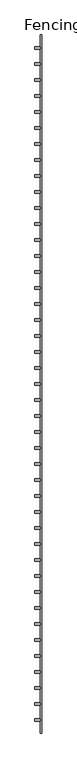
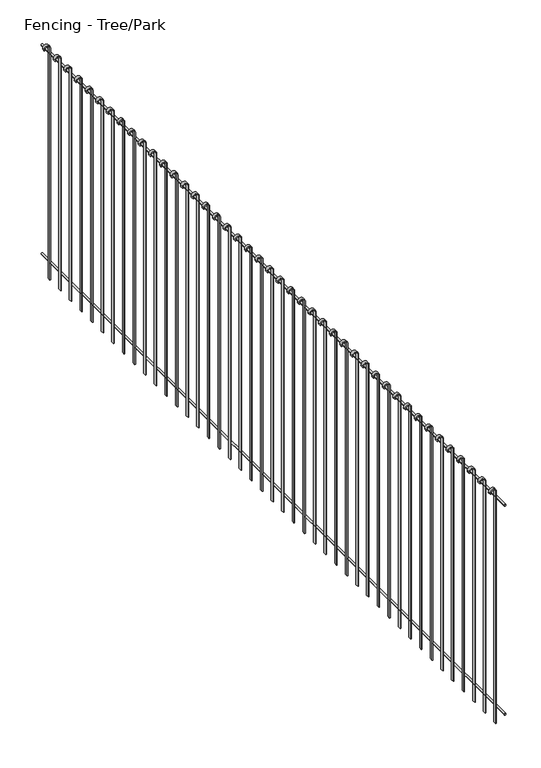
"""IFC4 building model written with IfcOpenShell, lengths in millimetres: railing geometry, Fencing - Tree/Park."""

from ifc_helpers import new_model, si_unit, point, frame, frame_2d, origin, place, context, project, spatial, polyline, circle_curve, trimmed, segment, composite_curve, outline, extrude, source, transform, mapped, element, save


def fencing_tree_park_7738c587(model_context):
    return source(origin(), model_context, "Body", "SweptSolid", [
        extrude(outline(composite_curve([segment(trimmed(circle_curve(frame_2d((1892.5, 5260.9077408)), 7.5), [point((1892.5, 5253.4077408))], [point((1892.5, 5268.4077408))], False, "CARTESIAN"), True, "CONTINUOUS"), segment(trimmed(circle_curve(frame_2d((1892.5, 5260.9077408)), 7.5), [point((1892.5, 5268.4077408))], [point((1892.5, 5253.4077408))], False, "CARTESIAN"), True, "CONTINUOUS")], self_intersect=False)), frame((0.0, -3853.7259668, 0.0), z_axis=(0.0, 1.0, 0.0), x_axis=(0.0, 0.0, 1.0)), (0.0, 0.0, 1.0), 6542.5),
        extrude(outline(composite_curve([segment(trimmed(circle_curve(frame_2d((92.5, 5260.9077408)), 7.5), [point((92.5, 5253.4077408))], [point((92.5, 5268.4077408))], False, "CARTESIAN"), True, "CONTINUOUS"), segment(trimmed(circle_curve(frame_2d((92.5, 5260.9077408)), 7.5), [point((92.5, 5268.4077408))], [point((92.5, 5253.4077408))], False, "CARTESIAN"), True, "CONTINUOUS")], self_intersect=False)), frame((0.0, -3853.7259668, 0.0), z_axis=(0.0, 1.0, 0.0), x_axis=(0.0, 0.0, 1.0)), (0.0, 0.0, 1.0), 6542.5),
        extrude(outline(composite_curve([segment(trimmed(circle_curve(frame_2d((1950.0, 5228.4077408)), 25.0), [point((1950.0, 5253.4077408))], [point((1950.0, 5203.4077408))], False, "CARTESIAN"), True, "CONTINUOUS"), segment(polyline([(1950.0, 5203.4077408), (1940.0, 5203.4077408), (1940.0, 5208.4077408), (1950.0, 5208.4077408)]), True, "CONTINUOUS"), segment(trimmed(circle_curve(frame_2d((1950.0, 5228.4077408)), 20.0), [point((1950.0, 5208.4077408))], [point((1950.0, 5248.4077408))], True, "CARTESIAN"), True, "CONTINUOUS"), segment(polyline([(1950.0, 5248.4077408), (-50.0, 5248.4077408), (-50.0, 5253.4077408), (1950.0, 5253.4077408)]), True, "CONTINUOUS")], self_intersect=False)), frame((0.0, 2555.0240332, 0.0), z_axis=(0.0, 1.0, 0.0), x_axis=(0.0, 0.0, 1.0)), (0.0, 0.0, 1.0), 25.0),
        extrude(outline(composite_curve([segment(trimmed(circle_curve(frame_2d((1950.0, 5228.4077408)), 25.0), [point((1950.0, 5253.4077408))], [point((1950.0, 5203.4077408))], False, "CARTESIAN"), True, "CONTINUOUS"), segment(polyline([(1950.0, 5203.4077408), (1940.0, 5203.4077408), (1940.0, 5208.4077408), (1950.0, 5208.4077408)]), True, "CONTINUOUS"), segment(trimmed(circle_curve(frame_2d((1950.0, 5228.4077408)), 20.0), [point((1950.0, 5208.4077408))], [point((1950.0, 5248.4077408))], True, "CARTESIAN"), True, "CONTINUOUS"), segment(polyline([(1950.0, 5248.4077408), (-50.0, 5248.4077408), (-50.0, 5253.4077408), (1950.0, 5253.4077408)]), True, "CONTINUOUS")], self_intersect=False)), frame((0.0, 2405.0240332, 0.0), z_axis=(0.0, 1.0, 0.0), x_axis=(0.0, 0.0, 1.0)), (0.0, 0.0, 1.0), 25.0),
        extrude(outline(composite_curve([segment(trimmed(circle_curve(frame_2d((1950.0, 5228.4077408)), 25.0), [point((1950.0, 5253.4077408))], [point((1950.0, 5203.4077408))], False, "CARTESIAN"), True, "CONTINUOUS"), segment(polyline([(1950.0, 5203.4077408), (1940.0, 5203.4077408), (1940.0, 5208.4077408), (1950.0, 5208.4077408)]), True, "CONTINUOUS"), segment(trimmed(circle_curve(frame_2d((1950.0, 5228.4077408)), 20.0), [point((1950.0, 5208.4077408))], [point((1950.0, 5248.4077408))], True, "CARTESIAN"), True, "CONTINUOUS"), segment(polyline([(1950.0, 5248.4077408), (-50.0, 5248.4077408), (-50.0, 5253.4077408), (1950.0, 5253.4077408)]), True, "CONTINUOUS")], self_intersect=False)), frame((0.0, 2255.0240332, 0.0), z_axis=(0.0, 1.0, 0.0), x_axis=(0.0, 0.0, 1.0)), (0.0, 0.0, 1.0), 25.0),
        extrude(outline(composite_curve([segment(trimmed(circle_curve(frame_2d((1950.0, 5228.4077408)), 25.0), [point((1950.0, 5253.4077408))], [point((1950.0, 5203.4077408))], False, "CARTESIAN"), True, "CONTINUOUS"), segment(polyline([(1950.0, 5203.4077408), (1940.0, 5203.4077408), (1940.0, 5208.4077408), (1950.0, 5208.4077408)]), True, "CONTINUOUS"), segment(trimmed(circle_curve(frame_2d((1950.0, 5228.4077408)), 20.0), [point((1950.0, 5208.4077408))], [point((1950.0, 5248.4077408))], True, "CARTESIAN"), True, "CONTINUOUS"), segment(polyline([(1950.0, 5248.4077408), (-50.0, 5248.4077408), (-50.0, 5253.4077408), (1950.0, 5253.4077408)]), True, "CONTINUOUS")], self_intersect=False)), frame((0.0, 2105.0240332, 0.0), z_axis=(0.0, 1.0, 0.0), x_axis=(0.0, 0.0, 1.0)), (0.0, 0.0, 1.0), 25.0),
        extrude(outline(composite_curve([segment(trimmed(circle_curve(frame_2d((1950.0, 5228.4077408)), 25.0), [point((1950.0, 5253.4077408))], [point((1950.0, 5203.4077408))], False, "CARTESIAN"), True, "CONTINUOUS"), segment(polyline([(1950.0, 5203.4077408), (1940.0, 5203.4077408), (1940.0, 5208.4077408), (1950.0, 5208.4077408)]), True, "CONTINUOUS"), segment(trimmed(circle_curve(frame_2d((1950.0, 5228.4077408)), 20.0), [point((1950.0, 5208.4077408))], [point((1950.0, 5248.4077408))], True, "CARTESIAN"), True, "CONTINUOUS"), segment(polyline([(1950.0, 5248.4077408), (-50.0, 5248.4077408), (-50.0, 5253.4077408), (1950.0, 5253.4077408)]), True, "CONTINUOUS")], self_intersect=False)), frame((0.0, 1955.0240332, 0.0), z_axis=(0.0, 1.0, 0.0), x_axis=(0.0, 0.0, 1.0)), (0.0, 0.0, 1.0), 25.0),
        extrude(outline(composite_curve([segment(trimmed(circle_curve(frame_2d((1950.0, 5228.4077408)), 25.0), [point((1950.0, 5253.4077408))], [point((1950.0, 5203.4077408))], False, "CARTESIAN"), True, "CONTINUOUS"), segment(polyline([(1950.0, 5203.4077408), (1940.0, 5203.4077408), (1940.0, 5208.4077408), (1950.0, 5208.4077408)]), True, "CONTINUOUS"), segment(trimmed(circle_curve(frame_2d((1950.0, 5228.4077408)), 20.0), [point((1950.0, 5208.4077408))], [point((1950.0, 5248.4077408))], True, "CARTESIAN"), True, "CONTINUOUS"), segment(polyline([(1950.0, 5248.4077408), (-50.0, 5248.4077408), (-50.0, 5253.4077408), (1950.0, 5253.4077408)]), True, "CONTINUOUS")], self_intersect=False)), frame((0.0, 1805.0240332, 0.0), z_axis=(0.0, 1.0, 0.0), x_axis=(0.0, 0.0, 1.0)), (0.0, 0.0, 1.0), 25.0),
        extrude(outline(composite_curve([segment(trimmed(circle_curve(frame_2d((1950.0, 5228.4077408)), 25.0), [point((1950.0, 5253.4077408))], [point((1950.0, 5203.4077408))], False, "CARTESIAN"), True, "CONTINUOUS"), segment(polyline([(1950.0, 5203.4077408), (1940.0, 5203.4077408), (1940.0, 5208.4077408), (1950.0, 5208.4077408)]), True, "CONTINUOUS"), segment(trimmed(circle_curve(frame_2d((1950.0, 5228.4077408)), 20.0), [point((1950.0, 5208.4077408))], [point((1950.0, 5248.4077408))], True, "CARTESIAN"), True, "CONTINUOUS"), segment(polyline([(1950.0, 5248.4077408), (-50.0, 5248.4077408), (-50.0, 5253.4077408), (1950.0, 5253.4077408)]), True, "CONTINUOUS")], self_intersect=False)), frame((0.0, 1655.0240332, 0.0), z_axis=(0.0, 1.0, 0.0), x_axis=(0.0, 0.0, 1.0)), (0.0, 0.0, 1.0), 25.0),
        extrude(outline(composite_curve([segment(trimmed(circle_curve(frame_2d((1950.0, 5228.4077408)), 25.0), [point((1950.0, 5253.4077408))], [point((1950.0, 5203.4077408))], False, "CARTESIAN"), True, "CONTINUOUS"), segment(polyline([(1950.0, 5203.4077408), (1940.0, 5203.4077408), (1940.0, 5208.4077408), (1950.0, 5208.4077408)]), True, "CONTINUOUS"), segment(trimmed(circle_curve(frame_2d((1950.0, 5228.4077408)), 20.0), [point((1950.0, 5208.4077408))], [point((1950.0, 5248.4077408))], True, "CARTESIAN"), True, "CONTINUOUS"), segment(polyline([(1950.0, 5248.4077408), (-50.0, 5248.4077408), (-50.0, 5253.4077408), (1950.0, 5253.4077408)]), True, "CONTINUOUS")], self_intersect=False)), frame((0.0, 1505.0240332, 0.0), z_axis=(0.0, 1.0, 0.0), x_axis=(0.0, 0.0, 1.0)), (0.0, 0.0, 1.0), 25.0),
        extrude(outline(composite_curve([segment(trimmed(circle_curve(frame_2d((1950.0, 5228.4077408)), 25.0), [point((1950.0, 5253.4077408))], [point((1950.0, 5203.4077408))], False, "CARTESIAN"), True, "CONTINUOUS"), segment(polyline([(1950.0, 5203.4077408), (1940.0, 5203.4077408), (1940.0, 5208.4077408), (1950.0, 5208.4077408)]), True, "CONTINUOUS"), segment(trimmed(circle_curve(frame_2d((1950.0, 5228.4077408)), 20.0), [point((1950.0, 5208.4077408))], [point((1950.0, 5248.4077408))], True, "CARTESIAN"), True, "CONTINUOUS"), segment(polyline([(1950.0, 5248.4077408), (-50.0, 5248.4077408), (-50.0, 5253.4077408), (1950.0, 5253.4077408)]), True, "CONTINUOUS")], self_intersect=False)), frame((0.0, 1355.0240332, 0.0), z_axis=(0.0, 1.0, 0.0), x_axis=(0.0, 0.0, 1.0)), (0.0, 0.0, 1.0), 25.0),
        extrude(outline(composite_curve([segment(trimmed(circle_curve(frame_2d((1950.0, 5228.4077408)), 25.0), [point((1950.0, 5253.4077408))], [point((1950.0, 5203.4077408))], False, "CARTESIAN"), True, "CONTINUOUS"), segment(polyline([(1950.0, 5203.4077408), (1940.0, 5203.4077408), (1940.0, 5208.4077408), (1950.0, 5208.4077408)]), True, "CONTINUOUS"), segment(trimmed(circle_curve(frame_2d((1950.0, 5228.4077408)), 20.0), [point((1950.0, 5208.4077408))], [point((1950.0, 5248.4077408))], True, "CARTESIAN"), True, "CONTINUOUS"), segment(polyline([(1950.0, 5248.4077408), (-50.0, 5248.4077408), (-50.0, 5253.4077408), (1950.0, 5253.4077408)]), True, "CONTINUOUS")], self_intersect=False)), frame((0.0, 1205.0240332, 0.0), z_axis=(0.0, 1.0, 0.0), x_axis=(0.0, 0.0, 1.0)), (0.0, 0.0, 1.0), 25.0),
        extrude(outline(composite_curve([segment(trimmed(circle_curve(frame_2d((1950.0, 5228.4077408)), 25.0), [point((1950.0, 5253.4077408))], [point((1950.0, 5203.4077408))], False, "CARTESIAN"), True, "CONTINUOUS"), segment(polyline([(1950.0, 5203.4077408), (1940.0, 5203.4077408), (1940.0, 5208.4077408), (1950.0, 5208.4077408)]), True, "CONTINUOUS"), segment(trimmed(circle_curve(frame_2d((1950.0, 5228.4077408)), 20.0), [point((1950.0, 5208.4077408))], [point((1950.0, 5248.4077408))], True, "CARTESIAN"), True, "CONTINUOUS"), segment(polyline([(1950.0, 5248.4077408), (-50.0, 5248.4077408), (-50.0, 5253.4077408), (1950.0, 5253.4077408)]), True, "CONTINUOUS")], self_intersect=False)), frame((0.0, 1055.0240332, 0.0), z_axis=(0.0, 1.0, 0.0), x_axis=(0.0, 0.0, 1.0)), (0.0, 0.0, 1.0), 25.0),
        extrude(outline(composite_curve([segment(trimmed(circle_curve(frame_2d((1950.0, 5228.4077408)), 25.0), [point((1950.0, 5253.4077408))], [point((1950.0, 5203.4077408))], False, "CARTESIAN"), True, "CONTINUOUS"), segment(polyline([(1950.0, 5203.4077408), (1940.0, 5203.4077408), (1940.0, 5208.4077408), (1950.0, 5208.4077408)]), True, "CONTINUOUS"), segment(trimmed(circle_curve(frame_2d((1950.0, 5228.4077408)), 20.0), [point((1950.0, 5208.4077408))], [point((1950.0, 5248.4077408))], True, "CARTESIAN"), True, "CONTINUOUS"), segment(polyline([(1950.0, 5248.4077408), (-50.0, 5248.4077408), (-50.0, 5253.4077408), (1950.0, 5253.4077408)]), True, "CONTINUOUS")], self_intersect=False)), frame((0.0, 905.0240332, 0.0), z_axis=(0.0, 1.0, 0.0), x_axis=(0.0, 0.0, 1.0)), (0.0, 0.0, 1.0), 25.0),
        extrude(outline(composite_curve([segment(trimmed(circle_curve(frame_2d((1950.0, 5228.4077408)), 25.0), [point((1950.0, 5253.4077408))], [point((1950.0, 5203.4077408))], False, "CARTESIAN"), True, "CONTINUOUS"), segment(polyline([(1950.0, 5203.4077408), (1940.0, 5203.4077408), (1940.0, 5208.4077408), (1950.0, 5208.4077408)]), True, "CONTINUOUS"), segment(trimmed(circle_curve(frame_2d((1950.0, 5228.4077408)), 20.0), [point((1950.0, 5208.4077408))], [point((1950.0, 5248.4077408))], True, "CARTESIAN"), True, "CONTINUOUS"), segment(polyline([(1950.0, 5248.4077408), (-50.0, 5248.4077408), (-50.0, 5253.4077408), (1950.0, 5253.4077408)]), True, "CONTINUOUS")], self_intersect=False)), frame((0.0, 755.0240332, 0.0), z_axis=(0.0, 1.0, 0.0), x_axis=(0.0, 0.0, 1.0)), (0.0, 0.0, 1.0), 25.0),
        extrude(outline(composite_curve([segment(trimmed(circle_curve(frame_2d((1950.0, 5228.4077408)), 25.0), [point((1950.0, 5253.4077408))], [point((1950.0, 5203.4077408))], False, "CARTESIAN"), True, "CONTINUOUS"), segment(polyline([(1950.0, 5203.4077408), (1940.0, 5203.4077408), (1940.0, 5208.4077408), (1950.0, 5208.4077408)]), True, "CONTINUOUS"), segment(trimmed(circle_curve(frame_2d((1950.0, 5228.4077408)), 20.0), [point((1950.0, 5208.4077408))], [point((1950.0, 5248.4077408))], True, "CARTESIAN"), True, "CONTINUOUS"), segment(polyline([(1950.0, 5248.4077408), (-50.0, 5248.4077408), (-50.0, 5253.4077408), (1950.0, 5253.4077408)]), True, "CONTINUOUS")], self_intersect=False)), frame((0.0, 605.0240332, 0.0), z_axis=(0.0, 1.0, 0.0), x_axis=(0.0, 0.0, 1.0)), (0.0, 0.0, 1.0), 25.0),
        extrude(outline(composite_curve([segment(trimmed(circle_curve(frame_2d((1950.0, 5228.4077408)), 25.0), [point((1950.0, 5253.4077408))], [point((1950.0, 5203.4077408))], False, "CARTESIAN"), True, "CONTINUOUS"), segment(polyline([(1950.0, 5203.4077408), (1940.0, 5203.4077408), (1940.0, 5208.4077408), (1950.0, 5208.4077408)]), True, "CONTINUOUS"), segment(trimmed(circle_curve(frame_2d((1950.0, 5228.4077408)), 20.0), [point((1950.0, 5208.4077408))], [point((1950.0, 5248.4077408))], True, "CARTESIAN"), True, "CONTINUOUS"), segment(polyline([(1950.0, 5248.4077408), (-50.0, 5248.4077408), (-50.0, 5253.4077408), (1950.0, 5253.4077408)]), True, "CONTINUOUS")], self_intersect=False)), frame((0.0, 455.0240332, 0.0), z_axis=(0.0, 1.0, 0.0), x_axis=(0.0, 0.0, 1.0)), (0.0, 0.0, 1.0), 25.0),
        extrude(outline(composite_curve([segment(trimmed(circle_curve(frame_2d((1950.0, 5228.4077408)), 25.0), [point((1950.0, 5253.4077408))], [point((1950.0, 5203.4077408))], False, "CARTESIAN"), True, "CONTINUOUS"), segment(polyline([(1950.0, 5203.4077408), (1940.0, 5203.4077408), (1940.0, 5208.4077408), (1950.0, 5208.4077408)]), True, "CONTINUOUS"), segment(trimmed(circle_curve(frame_2d((1950.0, 5228.4077408)), 20.0), [point((1950.0, 5208.4077408))], [point((1950.0, 5248.4077408))], True, "CARTESIAN"), True, "CONTINUOUS"), segment(polyline([(1950.0, 5248.4077408), (-50.0, 5248.4077408), (-50.0, 5253.4077408), (1950.0, 5253.4077408)]), True, "CONTINUOUS")], self_intersect=False)), frame((0.0, 305.0240332, 0.0), z_axis=(0.0, 1.0, 0.0), x_axis=(0.0, 0.0, 1.0)), (0.0, 0.0, 1.0), 25.0),
        extrude(outline(composite_curve([segment(trimmed(circle_curve(frame_2d((1950.0, 5228.4077408)), 25.0), [point((1950.0, 5253.4077408))], [point((1950.0, 5203.4077408))], False, "CARTESIAN"), True, "CONTINUOUS"), segment(polyline([(1950.0, 5203.4077408), (1940.0, 5203.4077408), (1940.0, 5208.4077408), (1950.0, 5208.4077408)]), True, "CONTINUOUS"), segment(trimmed(circle_curve(frame_2d((1950.0, 5228.4077408)), 20.0), [point((1950.0, 5208.4077408))], [point((1950.0, 5248.4077408))], True, "CARTESIAN"), True, "CONTINUOUS"), segment(polyline([(1950.0, 5248.4077408), (-50.0, 5248.4077408), (-50.0, 5253.4077408), (1950.0, 5253.4077408)]), True, "CONTINUOUS")], self_intersect=False)), frame((0.0, 155.0240332, 0.0), z_axis=(0.0, 1.0, 0.0), x_axis=(0.0, 0.0, 1.0)), (0.0, 0.0, 1.0), 25.0),
        extrude(outline(composite_curve([segment(trimmed(circle_curve(frame_2d((1950.0, 5228.4077408)), 25.0), [point((1950.0, 5253.4077408))], [point((1950.0, 5203.4077408))], False, "CARTESIAN"), True, "CONTINUOUS"), segment(polyline([(1950.0, 5203.4077408), (1940.0, 5203.4077408), (1940.0, 5208.4077408), (1950.0, 5208.4077408)]), True, "CONTINUOUS"), segment(trimmed(circle_curve(frame_2d((1950.0, 5228.4077408)), 20.0), [point((1950.0, 5208.4077408))], [point((1950.0, 5248.4077408))], True, "CARTESIAN"), True, "CONTINUOUS"), segment(polyline([(1950.0, 5248.4077408), (-50.0, 5248.4077408), (-50.0, 5253.4077408), (1950.0, 5253.4077408)]), True, "CONTINUOUS")], self_intersect=False)), frame((0.0, 5.0240332, 0.0), z_axis=(0.0, 1.0, 0.0), x_axis=(0.0, 0.0, 1.0)), (0.0, 0.0, 1.0), 25.0),
        extrude(outline(composite_curve([segment(trimmed(circle_curve(frame_2d((1950.0, 5228.4077408)), 25.0), [point((1950.0, 5253.4077408))], [point((1950.0, 5203.4077408))], False, "CARTESIAN"), True, "CONTINUOUS"), segment(polyline([(1950.0, 5203.4077408), (1940.0, 5203.4077408), (1940.0, 5208.4077408), (1950.0, 5208.4077408)]), True, "CONTINUOUS"), segment(trimmed(circle_curve(frame_2d((1950.0, 5228.4077408)), 20.0), [point((1950.0, 5208.4077408))], [point((1950.0, 5248.4077408))], True, "CARTESIAN"), True, "CONTINUOUS"), segment(polyline([(1950.0, 5248.4077408), (-50.0, 5248.4077408), (-50.0, 5253.4077408), (1950.0, 5253.4077408)]), True, "CONTINUOUS")], self_intersect=False)), frame((0.0, -144.9759668, 0.0), z_axis=(0.0, 1.0, 0.0), x_axis=(0.0, 0.0, 1.0)), (0.0, 0.0, 1.0), 25.0),
        extrude(outline(composite_curve([segment(trimmed(circle_curve(frame_2d((1950.0, 5228.4077408)), 25.0), [point((1950.0, 5253.4077408))], [point((1950.0, 5203.4077408))], False, "CARTESIAN"), True, "CONTINUOUS"), segment(polyline([(1950.0, 5203.4077408), (1940.0, 5203.4077408), (1940.0, 5208.4077408), (1950.0, 5208.4077408)]), True, "CONTINUOUS"), segment(trimmed(circle_curve(frame_2d((1950.0, 5228.4077408)), 20.0), [point((1950.0, 5208.4077408))], [point((1950.0, 5248.4077408))], True, "CARTESIAN"), True, "CONTINUOUS"), segment(polyline([(1950.0, 5248.4077408), (-50.0, 5248.4077408), (-50.0, 5253.4077408), (1950.0, 5253.4077408)]), True, "CONTINUOUS")], self_intersect=False)), frame((0.0, -294.9759668, 0.0), z_axis=(0.0, 1.0, 0.0), x_axis=(0.0, 0.0, 1.0)), (0.0, 0.0, 1.0), 25.0),
        extrude(outline(composite_curve([segment(trimmed(circle_curve(frame_2d((1950.0, 5228.4077408)), 25.0), [point((1950.0, 5253.4077408))], [point((1950.0, 5203.4077408))], False, "CARTESIAN"), True, "CONTINUOUS"), segment(polyline([(1950.0, 5203.4077408), (1940.0, 5203.4077408), (1940.0, 5208.4077408), (1950.0, 5208.4077408)]), True, "CONTINUOUS"), segment(trimmed(circle_curve(frame_2d((1950.0, 5228.4077408)), 20.0), [point((1950.0, 5208.4077408))], [point((1950.0, 5248.4077408))], True, "CARTESIAN"), True, "CONTINUOUS"), segment(polyline([(1950.0, 5248.4077408), (-50.0, 5248.4077408), (-50.0, 5253.4077408), (1950.0, 5253.4077408)]), True, "CONTINUOUS")], self_intersect=False)), frame((0.0, -444.9759668, 0.0), z_axis=(0.0, 1.0, 0.0), x_axis=(0.0, 0.0, 1.0)), (0.0, 0.0, 1.0), 25.0),
        extrude(outline(composite_curve([segment(trimmed(circle_curve(frame_2d((1950.0, 5228.4077408)), 25.0), [point((1950.0, 5253.4077408))], [point((1950.0, 5203.4077408))], False, "CARTESIAN"), True, "CONTINUOUS"), segment(polyline([(1950.0, 5203.4077408), (1940.0, 5203.4077408), (1940.0, 5208.4077408), (1950.0, 5208.4077408)]), True, "CONTINUOUS"), segment(trimmed(circle_curve(frame_2d((1950.0, 5228.4077408)), 20.0), [point((1950.0, 5208.4077408))], [point((1950.0, 5248.4077408))], True, "CARTESIAN"), True, "CONTINUOUS"), segment(polyline([(1950.0, 5248.4077408), (-50.0, 5248.4077408), (-50.0, 5253.4077408), (1950.0, 5253.4077408)]), True, "CONTINUOUS")], self_intersect=False)), frame((0.0, -594.9759668, 0.0), z_axis=(0.0, 1.0, 0.0), x_axis=(0.0, 0.0, 1.0)), (0.0, 0.0, 1.0), 25.0),
        extrude(outline(composite_curve([segment(trimmed(circle_curve(frame_2d((1950.0, 5228.4077408)), 25.0), [point((1950.0, 5253.4077408))], [point((1950.0, 5203.4077408))], False, "CARTESIAN"), True, "CONTINUOUS"), segment(polyline([(1950.0, 5203.4077408), (1940.0, 5203.4077408), (1940.0, 5208.4077408), (1950.0, 5208.4077408)]), True, "CONTINUOUS"), segment(trimmed(circle_curve(frame_2d((1950.0, 5228.4077408)), 20.0), [point((1950.0, 5208.4077408))], [point((1950.0, 5248.4077408))], True, "CARTESIAN"), True, "CONTINUOUS"), segment(polyline([(1950.0, 5248.4077408), (-50.0, 5248.4077408), (-50.0, 5253.4077408), (1950.0, 5253.4077408)]), True, "CONTINUOUS")], self_intersect=False)), frame((0.0, -744.9759668, 0.0), z_axis=(0.0, 1.0, 0.0), x_axis=(0.0, 0.0, 1.0)), (0.0, 0.0, 1.0), 25.0),
        extrude(outline(composite_curve([segment(trimmed(circle_curve(frame_2d((1950.0, 5228.4077408)), 25.0), [point((1950.0, 5253.4077408))], [point((1950.0, 5203.4077408))], False, "CARTESIAN"), True, "CONTINUOUS"), segment(polyline([(1950.0, 5203.4077408), (1940.0, 5203.4077408), (1940.0, 5208.4077408), (1950.0, 5208.4077408)]), True, "CONTINUOUS"), segment(trimmed(circle_curve(frame_2d((1950.0, 5228.4077408)), 20.0), [point((1950.0, 5208.4077408))], [point((1950.0, 5248.4077408))], True, "CARTESIAN"), True, "CONTINUOUS"), segment(polyline([(1950.0, 5248.4077408), (-50.0, 5248.4077408), (-50.0, 5253.4077408), (1950.0, 5253.4077408)]), True, "CONTINUOUS")], self_intersect=False)), frame((0.0, -894.9759668, 0.0), z_axis=(0.0, 1.0, 0.0), x_axis=(0.0, 0.0, 1.0)), (0.0, 0.0, 1.0), 25.0),
        extrude(outline(composite_curve([segment(trimmed(circle_curve(frame_2d((1950.0, 5228.4077408)), 25.0), [point((1950.0, 5253.4077408))], [point((1950.0, 5203.4077408))], False, "CARTESIAN"), True, "CONTINUOUS"), segment(polyline([(1950.0, 5203.4077408), (1940.0, 5203.4077408), (1940.0, 5208.4077408), (1950.0, 5208.4077408)]), True, "CONTINUOUS"), segment(trimmed(circle_curve(frame_2d((1950.0, 5228.4077408)), 20.0), [point((1950.0, 5208.4077408))], [point((1950.0, 5248.4077408))], True, "CARTESIAN"), True, "CONTINUOUS"), segment(polyline([(1950.0, 5248.4077408), (-50.0, 5248.4077408), (-50.0, 5253.4077408), (1950.0, 5253.4077408)]), True, "CONTINUOUS")], self_intersect=False)), frame((0.0, -1044.9759668, 0.0), z_axis=(0.0, 1.0, 0.0), x_axis=(0.0, 0.0, 1.0)), (0.0, 0.0, 1.0), 25.0),
        extrude(outline(composite_curve([segment(trimmed(circle_curve(frame_2d((1950.0, 5228.4077408)), 25.0), [point((1950.0, 5253.4077408))], [point((1950.0, 5203.4077408))], False, "CARTESIAN"), True, "CONTINUOUS"), segment(polyline([(1950.0, 5203.4077408), (1940.0, 5203.4077408), (1940.0, 5208.4077408), (1950.0, 5208.4077408)]), True, "CONTINUOUS"), segment(trimmed(circle_curve(frame_2d((1950.0, 5228.4077408)), 20.0), [point((1950.0, 5208.4077408))], [point((1950.0, 5248.4077408))], True, "CARTESIAN"), True, "CONTINUOUS"), segment(polyline([(1950.0, 5248.4077408), (-50.0, 5248.4077408), (-50.0, 5253.4077408), (1950.0, 5253.4077408)]), True, "CONTINUOUS")], self_intersect=False)), frame((0.0, -1194.9759668, 0.0), z_axis=(0.0, 1.0, 0.0), x_axis=(0.0, 0.0, 1.0)), (0.0, 0.0, 1.0), 25.0),
        extrude(outline(composite_curve([segment(trimmed(circle_curve(frame_2d((1950.0, 5228.4077408)), 25.0), [point((1950.0, 5253.4077408))], [point((1950.0, 5203.4077408))], False, "CARTESIAN"), True, "CONTINUOUS"), segment(polyline([(1950.0, 5203.4077408), (1940.0, 5203.4077408), (1940.0, 5208.4077408), (1950.0, 5208.4077408)]), True, "CONTINUOUS"), segment(trimmed(circle_curve(frame_2d((1950.0, 5228.4077408)), 20.0), [point((1950.0, 5208.4077408))], [point((1950.0, 5248.4077408))], True, "CARTESIAN"), True, "CONTINUOUS"), segment(polyline([(1950.0, 5248.4077408), (-50.0, 5248.4077408), (-50.0, 5253.4077408), (1950.0, 5253.4077408)]), True, "CONTINUOUS")], self_intersect=False)), frame((0.0, -1344.9759668, 0.0), z_axis=(0.0, 1.0, 0.0), x_axis=(0.0, 0.0, 1.0)), (0.0, 0.0, 1.0), 25.0),
        extrude(outline(composite_curve([segment(trimmed(circle_curve(frame_2d((1950.0, 5228.4077408)), 25.0), [point((1950.0, 5253.4077408))], [point((1950.0, 5203.4077408))], False, "CARTESIAN"), True, "CONTINUOUS"), segment(polyline([(1950.0, 5203.4077408), (1940.0, 5203.4077408), (1940.0, 5208.4077408), (1950.0, 5208.4077408)]), True, "CONTINUOUS"), segment(trimmed(circle_curve(frame_2d((1950.0, 5228.4077408)), 20.0), [point((1950.0, 5208.4077408))], [point((1950.0, 5248.4077408))], True, "CARTESIAN"), True, "CONTINUOUS"), segment(polyline([(1950.0, 5248.4077408), (-50.0, 5248.4077408), (-50.0, 5253.4077408), (1950.0, 5253.4077408)]), True, "CONTINUOUS")], self_intersect=False)), frame((0.0, -1494.9759668, 0.0), z_axis=(0.0, 1.0, 0.0), x_axis=(0.0, 0.0, 1.0)), (0.0, 0.0, 1.0), 25.0),
        extrude(outline(composite_curve([segment(trimmed(circle_curve(frame_2d((1950.0, 5228.4077408)), 25.0), [point((1950.0, 5253.4077408))], [point((1950.0, 5203.4077408))], False, "CARTESIAN"), True, "CONTINUOUS"), segment(polyline([(1950.0, 5203.4077408), (1940.0, 5203.4077408), (1940.0, 5208.4077408), (1950.0, 5208.4077408)]), True, "CONTINUOUS"), segment(trimmed(circle_curve(frame_2d((1950.0, 5228.4077408)), 20.0), [point((1950.0, 5208.4077408))], [point((1950.0, 5248.4077408))], True, "CARTESIAN"), True, "CONTINUOUS"), segment(polyline([(1950.0, 5248.4077408), (-50.0, 5248.4077408), (-50.0, 5253.4077408), (1950.0, 5253.4077408)]), True, "CONTINUOUS")], self_intersect=False)), frame((0.0, -1644.9759668, 0.0), z_axis=(0.0, 1.0, 0.0), x_axis=(0.0, 0.0, 1.0)), (0.0, 0.0, 1.0), 25.0),
        extrude(outline(composite_curve([segment(trimmed(circle_curve(frame_2d((1950.0, 5228.4077408)), 25.0), [point((1950.0, 5253.4077408))], [point((1950.0, 5203.4077408))], False, "CARTESIAN"), True, "CONTINUOUS"), segment(polyline([(1950.0, 5203.4077408), (1940.0, 5203.4077408), (1940.0, 5208.4077408), (1950.0, 5208.4077408)]), True, "CONTINUOUS"), segment(trimmed(circle_curve(frame_2d((1950.0, 5228.4077408)), 20.0), [point((1950.0, 5208.4077408))], [point((1950.0, 5248.4077408))], True, "CARTESIAN"), True, "CONTINUOUS"), segment(polyline([(1950.0, 5248.4077408), (-50.0, 5248.4077408), (-50.0, 5253.4077408), (1950.0, 5253.4077408)]), True, "CONTINUOUS")], self_intersect=False)), frame((0.0, -1794.9759668, 0.0), z_axis=(0.0, 1.0, 0.0), x_axis=(0.0, 0.0, 1.0)), (0.0, 0.0, 1.0), 25.0),
        extrude(outline(composite_curve([segment(trimmed(circle_curve(frame_2d((1950.0, 5228.4077408)), 25.0), [point((1950.0, 5253.4077408))], [point((1950.0, 5203.4077408))], False, "CARTESIAN"), True, "CONTINUOUS"), segment(polyline([(1950.0, 5203.4077408), (1940.0, 5203.4077408), (1940.0, 5208.4077408), (1950.0, 5208.4077408)]), True, "CONTINUOUS"), segment(trimmed(circle_curve(frame_2d((1950.0, 5228.4077408)), 20.0), [point((1950.0, 5208.4077408))], [point((1950.0, 5248.4077408))], True, "CARTESIAN"), True, "CONTINUOUS"), segment(polyline([(1950.0, 5248.4077408), (-50.0, 5248.4077408), (-50.0, 5253.4077408), (1950.0, 5253.4077408)]), True, "CONTINUOUS")], self_intersect=False)), frame((0.0, -1944.9759668, 0.0), z_axis=(0.0, 1.0, 0.0), x_axis=(0.0, 0.0, 1.0)), (0.0, 0.0, 1.0), 25.0),
        extrude(outline(composite_curve([segment(trimmed(circle_curve(frame_2d((1950.0, 5228.4077408)), 25.0), [point((1950.0, 5253.4077408))], [point((1950.0, 5203.4077408))], False, "CARTESIAN"), True, "CONTINUOUS"), segment(polyline([(1950.0, 5203.4077408), (1940.0, 5203.4077408), (1940.0, 5208.4077408), (1950.0, 5208.4077408)]), True, "CONTINUOUS"), segment(trimmed(circle_curve(frame_2d((1950.0, 5228.4077408)), 20.0), [point((1950.0, 5208.4077408))], [point((1950.0, 5248.4077408))], True, "CARTESIAN"), True, "CONTINUOUS"), segment(polyline([(1950.0, 5248.4077408), (-50.0, 5248.4077408), (-50.0, 5253.4077408), (1950.0, 5253.4077408)]), True, "CONTINUOUS")], self_intersect=False)), frame((0.0, -2094.9759668, 0.0), z_axis=(0.0, 1.0, 0.0), x_axis=(0.0, 0.0, 1.0)), (0.0, 0.0, 1.0), 25.0),
        extrude(outline(composite_curve([segment(trimmed(circle_curve(frame_2d((1950.0, 5228.4077408)), 25.0), [point((1950.0, 5253.4077408))], [point((1950.0, 5203.4077408))], False, "CARTESIAN"), True, "CONTINUOUS"), segment(polyline([(1950.0, 5203.4077408), (1940.0, 5203.4077408), (1940.0, 5208.4077408), (1950.0, 5208.4077408)]), True, "CONTINUOUS"), segment(trimmed(circle_curve(frame_2d((1950.0, 5228.4077408)), 20.0), [point((1950.0, 5208.4077408))], [point((1950.0, 5248.4077408))], True, "CARTESIAN"), True, "CONTINUOUS"), segment(polyline([(1950.0, 5248.4077408), (-50.0, 5248.4077408), (-50.0, 5253.4077408), (1950.0, 5253.4077408)]), True, "CONTINUOUS")], self_intersect=False)), frame((0.0, -2244.9759668, 0.0), z_axis=(0.0, 1.0, 0.0), x_axis=(0.0, 0.0, 1.0)), (0.0, 0.0, 1.0), 25.0),
        extrude(outline(composite_curve([segment(trimmed(circle_curve(frame_2d((1950.0, 5228.4077408)), 25.0), [point((1950.0, 5253.4077408))], [point((1950.0, 5203.4077408))], False, "CARTESIAN"), True, "CONTINUOUS"), segment(polyline([(1950.0, 5203.4077408), (1940.0, 5203.4077408), (1940.0, 5208.4077408), (1950.0, 5208.4077408)]), True, "CONTINUOUS"), segment(trimmed(circle_curve(frame_2d((1950.0, 5228.4077408)), 20.0), [point((1950.0, 5208.4077408))], [point((1950.0, 5248.4077408))], True, "CARTESIAN"), True, "CONTINUOUS"), segment(polyline([(1950.0, 5248.4077408), (-50.0, 5248.4077408), (-50.0, 5253.4077408), (1950.0, 5253.4077408)]), True, "CONTINUOUS")], self_intersect=False)), frame((0.0, -2394.9759668, 0.0), z_axis=(0.0, 1.0, 0.0), x_axis=(0.0, 0.0, 1.0)), (0.0, 0.0, 1.0), 25.0),
        extrude(outline(composite_curve([segment(trimmed(circle_curve(frame_2d((1950.0, 5228.4077408)), 25.0), [point((1950.0, 5253.4077408))], [point((1950.0, 5203.4077408))], False, "CARTESIAN"), True, "CONTINUOUS"), segment(polyline([(1950.0, 5203.4077408), (1940.0, 5203.4077408), (1940.0, 5208.4077408), (1950.0, 5208.4077408)]), True, "CONTINUOUS"), segment(trimmed(circle_curve(frame_2d((1950.0, 5228.4077408)), 20.0), [point((1950.0, 5208.4077408))], [point((1950.0, 5248.4077408))], True, "CARTESIAN"), True, "CONTINUOUS"), segment(polyline([(1950.0, 5248.4077408), (-50.0, 5248.4077408), (-50.0, 5253.4077408), (1950.0, 5253.4077408)]), True, "CONTINUOUS")], self_intersect=False)), frame((0.0, -2544.9759668, 0.0), z_axis=(0.0, 1.0, 0.0), x_axis=(0.0, 0.0, 1.0)), (0.0, 0.0, 1.0), 25.0),
        extrude(outline(composite_curve([segment(trimmed(circle_curve(frame_2d((1950.0, 5228.4077408)), 25.0), [point((1950.0, 5253.4077408))], [point((1950.0, 5203.4077408))], False, "CARTESIAN"), True, "CONTINUOUS"), segment(polyline([(1950.0, 5203.4077408), (1940.0, 5203.4077408), (1940.0, 5208.4077408), (1950.0, 5208.4077408)]), True, "CONTINUOUS"), segment(trimmed(circle_curve(frame_2d((1950.0, 5228.4077408)), 20.0), [point((1950.0, 5208.4077408))], [point((1950.0, 5248.4077408))], True, "CARTESIAN"), True, "CONTINUOUS"), segment(polyline([(1950.0, 5248.4077408), (-50.0, 5248.4077408), (-50.0, 5253.4077408), (1950.0, 5253.4077408)]), True, "CONTINUOUS")], self_intersect=False)), frame((0.0, -2694.9759668, 0.0), z_axis=(0.0, 1.0, 0.0), x_axis=(0.0, 0.0, 1.0)), (0.0, 0.0, 1.0), 25.0),
        extrude(outline(composite_curve([segment(trimmed(circle_curve(frame_2d((1950.0, 5228.4077408)), 25.0), [point((1950.0, 5253.4077408))], [point((1950.0, 5203.4077408))], False, "CARTESIAN"), True, "CONTINUOUS"), segment(polyline([(1950.0, 5203.4077408), (1940.0, 5203.4077408), (1940.0, 5208.4077408), (1950.0, 5208.4077408)]), True, "CONTINUOUS"), segment(trimmed(circle_curve(frame_2d((1950.0, 5228.4077408)), 20.0), [point((1950.0, 5208.4077408))], [point((1950.0, 5248.4077408))], True, "CARTESIAN"), True, "CONTINUOUS"), segment(polyline([(1950.0, 5248.4077408), (-50.0, 5248.4077408), (-50.0, 5253.4077408), (1950.0, 5253.4077408)]), True, "CONTINUOUS")], self_intersect=False)), frame((0.0, -2844.9759668, 0.0), z_axis=(0.0, 1.0, 0.0), x_axis=(0.0, 0.0, 1.0)), (0.0, 0.0, 1.0), 25.0),
        extrude(outline(composite_curve([segment(trimmed(circle_curve(frame_2d((1950.0, 5228.4077408)), 25.0), [point((1950.0, 5253.4077408))], [point((1950.0, 5203.4077408))], False, "CARTESIAN"), True, "CONTINUOUS"), segment(polyline([(1950.0, 5203.4077408), (1940.0, 5203.4077408), (1940.0, 5208.4077408), (1950.0, 5208.4077408)]), True, "CONTINUOUS"), segment(trimmed(circle_curve(frame_2d((1950.0, 5228.4077408)), 20.0), [point((1950.0, 5208.4077408))], [point((1950.0, 5248.4077408))], True, "CARTESIAN"), True, "CONTINUOUS"), segment(polyline([(1950.0, 5248.4077408), (-50.0, 5248.4077408), (-50.0, 5253.4077408), (1950.0, 5253.4077408)]), True, "CONTINUOUS")], self_intersect=False)), frame((0.0, -2994.9759668, 0.0), z_axis=(0.0, 1.0, 0.0), x_axis=(0.0, 0.0, 1.0)), (0.0, 0.0, 1.0), 25.0),
        extrude(outline(composite_curve([segment(trimmed(circle_curve(frame_2d((1950.0, 5228.4077408)), 25.0), [point((1950.0, 5253.4077408))], [point((1950.0, 5203.4077408))], False, "CARTESIAN"), True, "CONTINUOUS"), segment(polyline([(1950.0, 5203.4077408), (1940.0, 5203.4077408), (1940.0, 5208.4077408), (1950.0, 5208.4077408)]), True, "CONTINUOUS"), segment(trimmed(circle_curve(frame_2d((1950.0, 5228.4077408)), 20.0), [point((1950.0, 5208.4077408))], [point((1950.0, 5248.4077408))], True, "CARTESIAN"), True, "CONTINUOUS"), segment(polyline([(1950.0, 5248.4077408), (-50.0, 5248.4077408), (-50.0, 5253.4077408), (1950.0, 5253.4077408)]), True, "CONTINUOUS")], self_intersect=False)), frame((0.0, -3144.9759668, 0.0), z_axis=(0.0, 1.0, 0.0), x_axis=(0.0, 0.0, 1.0)), (0.0, 0.0, 1.0), 25.0),
        extrude(outline(composite_curve([segment(trimmed(circle_curve(frame_2d((1950.0, 5228.4077408)), 25.0), [point((1950.0, 5253.4077408))], [point((1950.0, 5203.4077408))], False, "CARTESIAN"), True, "CONTINUOUS"), segment(polyline([(1950.0, 5203.4077408), (1940.0, 5203.4077408), (1940.0, 5208.4077408), (1950.0, 5208.4077408)]), True, "CONTINUOUS"), segment(trimmed(circle_curve(frame_2d((1950.0, 5228.4077408)), 20.0), [point((1950.0, 5208.4077408))], [point((1950.0, 5248.4077408))], True, "CARTESIAN"), True, "CONTINUOUS"), segment(polyline([(1950.0, 5248.4077408), (-50.0, 5248.4077408), (-50.0, 5253.4077408), (1950.0, 5253.4077408)]), True, "CONTINUOUS")], self_intersect=False)), frame((0.0, -3294.9759668, 0.0), z_axis=(0.0, 1.0, 0.0), x_axis=(0.0, 0.0, 1.0)), (0.0, 0.0, 1.0), 25.0),
        extrude(outline(composite_curve([segment(trimmed(circle_curve(frame_2d((1950.0, 5228.4077408)), 25.0), [point((1950.0, 5253.4077408))], [point((1950.0, 5203.4077408))], False, "CARTESIAN"), True, "CONTINUOUS"), segment(polyline([(1950.0, 5203.4077408), (1940.0, 5203.4077408), (1940.0, 5208.4077408), (1950.0, 5208.4077408)]), True, "CONTINUOUS"), segment(trimmed(circle_curve(frame_2d((1950.0, 5228.4077408)), 20.0), [point((1950.0, 5208.4077408))], [point((1950.0, 5248.4077408))], True, "CARTESIAN"), True, "CONTINUOUS"), segment(polyline([(1950.0, 5248.4077408), (-50.0, 5248.4077408), (-50.0, 5253.4077408), (1950.0, 5253.4077408)]), True, "CONTINUOUS")], self_intersect=False)), frame((0.0, -3444.9759668, 0.0), z_axis=(0.0, 1.0, 0.0), x_axis=(0.0, 0.0, 1.0)), (0.0, 0.0, 1.0), 25.0),
        extrude(outline(composite_curve([segment(trimmed(circle_curve(frame_2d((1950.0, 5228.4077408)), 25.0), [point((1950.0, 5253.4077408))], [point((1950.0, 5203.4077408))], False, "CARTESIAN"), True, "CONTINUOUS"), segment(polyline([(1950.0, 5203.4077408), (1940.0, 5203.4077408), (1940.0, 5208.4077408), (1950.0, 5208.4077408)]), True, "CONTINUOUS"), segment(trimmed(circle_curve(frame_2d((1950.0, 5228.4077408)), 20.0), [point((1950.0, 5208.4077408))], [point((1950.0, 5248.4077408))], True, "CARTESIAN"), True, "CONTINUOUS"), segment(polyline([(1950.0, 5248.4077408), (-50.0, 5248.4077408), (-50.0, 5253.4077408), (1950.0, 5253.4077408)]), True, "CONTINUOUS")], self_intersect=False)), frame((0.0, -3594.9759668, 0.0), z_axis=(0.0, 1.0, 0.0), x_axis=(0.0, 0.0, 1.0)), (0.0, 0.0, 1.0), 25.0),
        extrude(outline(composite_curve([segment(trimmed(circle_curve(frame_2d((1950.0, 5228.4077408)), 25.0), [point((1950.0, 5253.4077408))], [point((1950.0, 5203.4077408))], False, "CARTESIAN"), True, "CONTINUOUS"), segment(polyline([(1950.0, 5203.4077408), (1940.0, 5203.4077408), (1940.0, 5208.4077408), (1950.0, 5208.4077408)]), True, "CONTINUOUS"), segment(trimmed(circle_curve(frame_2d((1950.0, 5228.4077408)), 20.0), [point((1950.0, 5208.4077408))], [point((1950.0, 5248.4077408))], True, "CARTESIAN"), True, "CONTINUOUS"), segment(polyline([(1950.0, 5248.4077408), (-50.0, 5248.4077408), (-50.0, 5253.4077408), (1950.0, 5253.4077408)]), True, "CONTINUOUS")], self_intersect=False)), frame((0.0, -3744.9759668, 0.0), z_axis=(0.0, 1.0, 0.0), x_axis=(0.0, 0.0, 1.0)), (0.0, 0.0, 1.0), 25.0),
    ])


if __name__ == "__main__":
    model = new_model("IFC4")
    model_context = context("Model", 3, world=origin())
    ifc_project = project(units=[si_unit("LENGTHUNIT", "METRE", prefix="MILLI")], contexts=[model_context])
    site = spatial("IfcSite", under=ifc_project)
    building = spatial("IfcBuilding", under=site)
    placement = place(None, origin())
    fencing_tree_park_shape = fencing_tree_park_7738c587(model_context)
    element("IfcRailing", 1, ObjectType="Fencing - Tree/Park", at=placement, inside=building, context=model_context, shape_type="MappedRepresentation", body=[
        mapped(fencing_tree_park_shape, transform((0.0, 0.0, 0.0), x_axis=(1.0, 0.0, 0.0), y_axis=(0.0, 1.0, 0.0), z_axis=(0.0, 0.0, 1.0))),
    ])
    save(model, "model.ifc")
